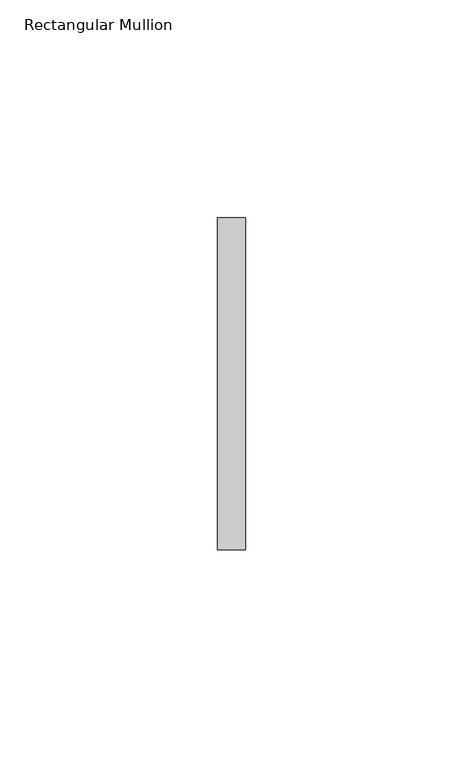
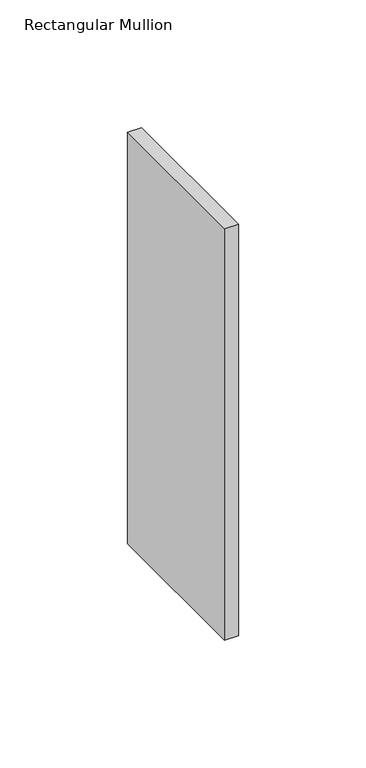
"""IFC4 building model written with IfcOpenShell, lengths in millimetres: member geometry, Rectangular Mullion."""

from ifc_helpers import new_model, si_unit, frame, origin, place, context, project, spatial, polyline, outline, extrude, source, transform, mapped, element, save


def rectangular_mullion_cbf76049(model_context):
    return source(origin(), model_context, "Body", "SweptSolid", [
        extrude(outline(polyline([(0.0, 38.1), (0.0, -38.1), (-6.35, -38.1), (-6.35, 38.1), (0.0, 38.1)])), frame((0.0, 0.0, -197.0560278), z_axis=(0.0, 0.0, 1.0), x_axis=(1.0, 0.0, 0.0)), (0.0, 0.0, 1.0), 197.0560278),
    ])


if __name__ == "__main__":
    model = new_model("IFC4")
    model_context = context("Model", 3, world=origin())
    ifc_project = project(units=[si_unit("LENGTHUNIT", "METRE", prefix="MILLI")], contexts=[model_context])
    site = spatial("IfcSite", under=ifc_project)
    building = spatial("IfcBuilding", under=site)
    placement = place(None, origin())
    rectangular_mullion_shape = rectangular_mullion_cbf76049(model_context)
    element("IfcMember", 1, ObjectType="Rectangular Mullion", at=placement, inside=building, context=model_context, shape_type="MappedRepresentation", body=[
        mapped(rectangular_mullion_shape, transform((0.0, 0.0, 0.0), x_axis=(1.0, 0.0, 0.0), y_axis=(0.0, 1.0, 0.0), z_axis=(0.0, 0.0, 1.0))),
    ])
    save(model, "model.ifc")
